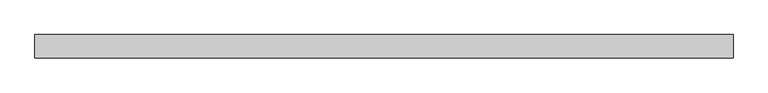
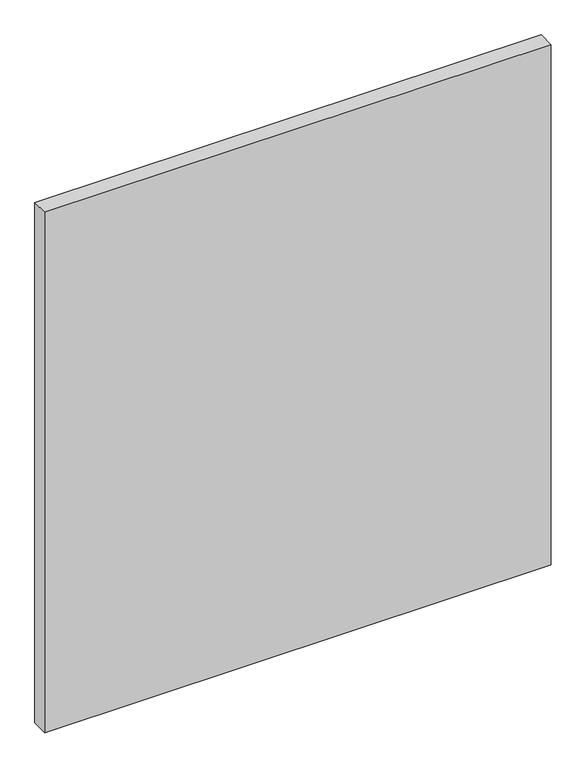
"""IFC4 building model written with IfcOpenShell, lengths in millimetres: plate geometry."""

import ifcopenshell
import ifcopenshell.guid

model = None  # the IFC model being written
_history = None  # IfcOwnerHistory: only IFC2X3 demands one
_inside = {}  # id of a spatial element -> (the spatial element, [elements in it])
_under = {}  # id of a project, library or spatial element -> (it, [spatial elements below it])
_declared = {}  # id of a project -> (the project, [libraries it declares])
_typed = {}  # id of a type object -> (the type object, [elements of that type])
_made_of = {}  # id of a material, layer set ... -> (it, [elements and type objects made of it])


def new_model(schema):
    """Start an empty IFC model of exactly this schema.

    Asked for "IFC4X3", IfcOpenShell would pick the latest addendum, in which some entities
    have other attributes; the version numbers below select the first issue.
    IFC2X3 requires an IfcOwnerHistory on every rooted entity: one is made here for all.
    """
    global model, _history
    if schema == "IFC4X3":
        model = ifcopenshell.file(schema_version=(4, 3, 0, 0))
    else:
        model = ifcopenshell.file(schema=schema)
    _inside.clear()
    _under.clear()
    _declared.clear()
    _typed.clear()
    _made_of.clear()
    _history = None
    if model.schema == "IFC2X3":
        org = make("IfcOrganization", Name="unknown")
        user = make(
            "IfcPersonAndOrganization",
            ThePerson=make("IfcPerson", FamilyName="unknown"),
            TheOrganization=org,
        )
        app = make(
            "IfcApplication",
            ApplicationDeveloper=org,
            Version="unknown",
            ApplicationFullName="unknown",
            ApplicationIdentifier="unknown",
        )
        _history = make(
            "IfcOwnerHistory",
            OwningUser=user,
            OwningApplication=app,
            ChangeAction="ADDED",
            CreationDate=0,
        )
    return model


def make(cls, **values):
    """One entity of the class cls with the attributes given. An attribute that is None is left unset."""
    return model.create_entity(
        cls, **{name: value for name, value in values.items() if value is not None}
    )


def rooted(cls, **values):
    """An entity with a GlobalId (a new one), such as an element, a storey or a relation."""
    return make(cls, GlobalId=ifcopenshell.guid.new(), OwnerHistory=_history, **values)


def si_unit(unit_type, name, prefix=None):
    """IfcSIUnit, for example si_unit("LENGTHUNIT", "METRE", prefix="MILLI")."""
    return make("IfcSIUnit", UnitType=unit_type, Prefix=prefix, Name=name)


def assignment(units):
    """IfcUnitAssignment: the units of a project."""
    return None if units is None else make("IfcUnitAssignment", Units=units)


def point(xyz):
    """IfcCartesianPoint."""
    return None if xyz is None else make("IfcCartesianPoint", Coordinates=xyz)


def direction(xyz):
    """IfcDirection."""
    return None if xyz is None else make("IfcDirection", DirectionRatios=xyz)


def frame(location, z_axis=None, x_axis=None):
    """IfcAxis2Placement3D, a coordinate frame: its origin and axes. An axis left out is left unset."""
    return make(
        "IfcAxis2Placement3D",
        Location=point(location),
        Axis=direction(z_axis),
        RefDirection=direction(x_axis),
    )


def origin():
    """The frame at (0, 0, 0) with its axes left unset."""
    return frame((0.0, 0.0, 0.0))


def origin_with_axes():
    """The frame at (0, 0, 0) with the z axis (0, 0, 1) and the x axis (1, 0, 0) written out."""
    return frame((0.0, 0.0, 0.0), z_axis=(0.0, 0.0, 1.0), x_axis=(1.0, 0.0, 0.0))


def place(relative_to, where):
    """IfcLocalPlacement: puts the frame where relative to a parent placement (None: the world)."""
    return make(
        "IfcLocalPlacement", PlacementRelTo=relative_to, RelativePlacement=where
    )


def context(
    kind, dimensions, precision=None, world=None, true_north=None, identifier=None
):
    """IfcGeometricRepresentationContext, for example the 3D "Model" context."""
    return make(
        "IfcGeometricRepresentationContext",
        ContextIdentifier=identifier,
        ContextType=kind,
        CoordinateSpaceDimension=dimensions,
        Precision=precision,
        WorldCoordinateSystem=world,
        TrueNorth=true_north,
    )


def project(units=None, contexts=None):
    """IfcProject with its units and contexts."""
    return rooted(
        "IfcProject",
        Name="project",
        RepresentationContexts=contexts,
        UnitsInContext=assignment(units),
    )


def spatial(cls, under=None, at=None, **own):
    """A site, building, storey or space (cls), placed at a placement, below another one or the project."""
    s = rooted(cls, ObjectPlacement=at, **own)
    if under is not None:
        _under.setdefault(under.id(), (under, []))[1].append(s)
    return s


def polyline(points):
    """IfcPolyline through the points."""
    return make("IfcPolyline", Points=[point(p) for p in points])


def outline(outer, holes=None, kind="AREA"):
    """IfcArbitraryClosedProfileDef: a profile drawn as a closed curve; with holes, ...WithVoids."""
    if holes is None:
        return make("IfcArbitraryClosedProfileDef", ProfileType=kind, OuterCurve=outer)
    return make(
        "IfcArbitraryProfileDefWithVoids",
        ProfileType=kind,
        OuterCurve=outer,
        InnerCurves=holes,
    )


def extrude(swept, where, along, depth):
    """IfcExtrudedAreaSolid: the profile swept, set in the frame where, extruded along a direction by depth."""
    return make(
        "IfcExtrudedAreaSolid",
        SweptArea=swept,
        Position=where,
        ExtrudedDirection=direction(along),
        Depth=depth,
    )


def shape(context_of_items, identifier, shape_type, items):
    """IfcShapeRepresentation: the items that make up one representation, for example the "Body"."""
    return make(
        "IfcShapeRepresentation",
        ContextOfItems=context_of_items,
        RepresentationIdentifier=identifier,
        RepresentationType=shape_type,
        Items=items,
    )


def source(mapping_origin, context_of_items, identifier, shape_type, items):
    """IfcRepresentationMap: a shape defined once, which mapped items show again and again."""
    return make(
        "IfcRepresentationMap",
        MappingOrigin=mapping_origin,
        MappedRepresentation=shape(context_of_items, identifier, shape_type, items),
    )


def transform(
    local_origin,
    x_axis=None,
    y_axis=None,
    z_axis=None,
    scale=None,
    scale2=None,
    scale3=None,
    uniform=True,
):
    """IfcCartesianTransformationOperator3D, or its non-uniform kind. x_axis, y_axis, z_axis: its Axis1, 2, 3."""
    if uniform:
        return make(
            "IfcCartesianTransformationOperator3D",
            Axis1=direction(x_axis),
            Axis2=direction(y_axis),
            LocalOrigin=point(local_origin),
            Scale=scale,
            Axis3=direction(z_axis),
        )
    return make(
        "IfcCartesianTransformationOperator3DnonUniform",
        Axis1=direction(x_axis),
        Axis2=direction(y_axis),
        LocalOrigin=point(local_origin),
        Scale=scale,
        Axis3=direction(z_axis),
        Scale2=scale2,
        Scale3=scale3,
    )


def mapped(mapping_source, mapping_target):
    """IfcMappedItem: shows the shape of a source again, moved by a transform."""
    return make(
        "IfcMappedItem", MappingSource=mapping_source, MappingTarget=mapping_target
    )


def made_of(thing, what):
    """Note that an element or type object is made of a material, layer set ...; save() writes the relation."""
    if what is not None:
        _made_of.setdefault(what.id(), (what, []))[1].append(thing)
    return thing


def element(
    cls,
    number,
    at=None,
    inside=None,
    cuts=None,
    type_object=None,
    material=None,
    context=None,
    identifier="Body",
    shape_type=None,
    held_by="IfcProductDefinitionShape",
    body=None,
    shapes=None,
    **own,
):
    """One element of the class cls, such as IfcWall. Its Tag is "e" and its number.

    at: its placement. inside: the storey or other place that contains it. cuts: it is an
    opening in that element (IfcRelVoidsElement). A single representation is given by context,
    identifier, shape_type and body (its items); several are given by shapes. held_by: the class
    of the entity that holds the representations. save() writes the other relations.
    """
    e = rooted(cls, Tag="e%d" % number, ObjectPlacement=at, **own)
    if body is not None:
        shapes = [shape(context, identifier, shape_type, body)]
    if shapes is not None:
        e.Representation = make(held_by, Representations=shapes)
    if inside is not None:
        _inside.setdefault(inside.id(), (inside, []))[1].append(e)
    if cuts is not None:
        rooted(
            "IfcRelVoidsElement", RelatingBuildingElement=cuts, RelatedOpeningElement=e
        )
    if type_object is not None:
        _typed.setdefault(type_object.id(), (type_object, []))[1].append(e)
    return made_of(e, material)


def aggregate(whole, parts):
    """IfcRelAggregates: a whole, such as a stair, and the parts it consists of."""
    return rooted("IfcRelAggregates", RelatingObject=whole, RelatedObjects=parts)


def save(model, path):
    """Write the relations noted so far, then the file.

    IfcRelAggregates (storeys below a building ...), IfcRelContainedInSpatialStructure (elements
    in a storey), IfcRelDefinesByType, IfcRelAssociatesMaterial and IfcRelDeclares: one each for
    every whole, place, type object, material and project.
    """
    for whole, parts in _under.values():
        aggregate(whole, parts)
    for where, things in _inside.values():
        rooted(
            "IfcRelContainedInSpatialStructure",
            RelatedElements=things,
            RelatingStructure=where,
        )
    for kind, things in _typed.values():
        rooted("IfcRelDefinesByType", RelatedObjects=things, RelatingType=kind)
    for what, things in _made_of.values():
        rooted("IfcRelAssociatesMaterial", RelatedObjects=things, RelatingMaterial=what)
    for by, libraries in _declared.values():
        rooted("IfcRelDeclares", RelatingContext=by, RelatedDefinitions=libraries)
    model.write(path)


def plate_388dac15(model_context):
    return source(origin(), model_context, "Body", "SweptSolid", [
        extrude(outline(polyline([(526.3125, -17.5), (-526.3125, -17.5), (-526.3125, 17.5), (526.3125, 17.5), (526.3125, -17.5)])), origin_with_axes(), (0.0, 0.0, 1.0), 1143.8125),
    ])


if __name__ == "__main__":
    model = new_model("IFC4")
    model_context = context("Model", 3, world=origin())
    ifc_project = project(units=[si_unit("LENGTHUNIT", "METRE", prefix="MILLI")], contexts=[model_context])
    site = spatial("IfcSite", under=ifc_project)
    building = spatial("IfcBuilding", under=site)
    placement = place(None, origin())
    plate_shape = plate_388dac15(model_context)
    element("IfcPlate", 1, at=placement, inside=building, context=model_context, shape_type="MappedRepresentation", body=[
        mapped(plate_shape, transform((0.0, 0.0, 0.0), x_axis=(1.0, 0.0, 0.0), y_axis=(0.0, 1.0, 0.0), z_axis=(0.0, 0.0, 1.0))),
    ])
    save(model, "model.ifc")
